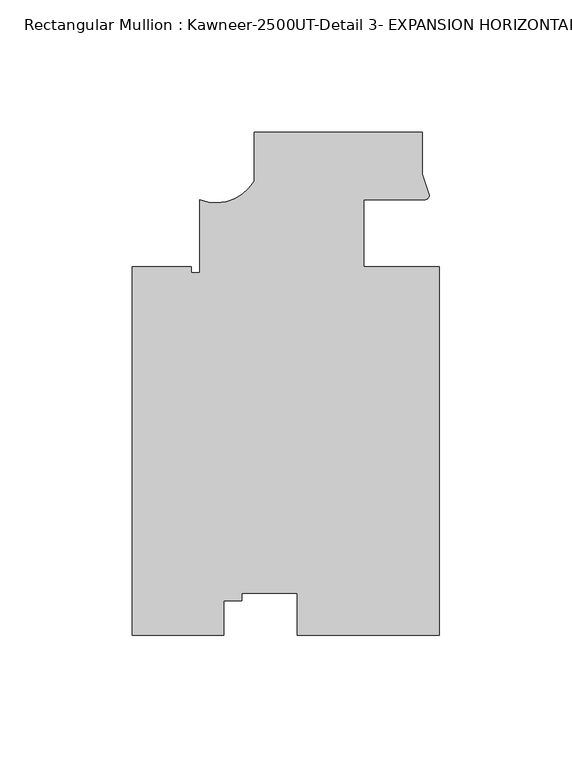
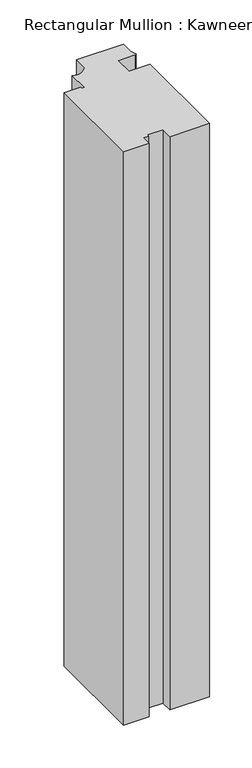
"""IFC4 building model written with IfcOpenShell, lengths in millimetres: member geometry, Rectangular Mullion : Kawneer-2500UT-Detail 3- EXPANSION HORIZONTAL-1 INCH INFILL."""

from ifc_helpers import new_model, si_unit, point, frame, frame_2d, origin, place, context, project, spatial, polyline, circle_curve, trimmed, segment, composite_curve, outline, extrude, source, transform, mapped, element, save


def rectangular_mullion_kawneer_2500ut_detail_3_expansion_135035ae(model_context):
    return source(origin(), model_context, "Body", "SweptSolid", [
        extrude(outline(composite_curve([segment(polyline([(26.807523, -25.4123588), (26.807523, -164.6039062), (-26.807523, -164.6039063), (-26.807523, -148.7055018), (-47.7541759, -148.7055018), (-47.7541759, -151.560107), (-54.6121757, -151.560107), (-54.6121757, -164.6039062), (-89.1032866, -164.6039062), (-89.1032866, -25.4123588), (-66.8783331, -25.4119062), (-66.8782866, -27.6979062), (-63.7033859, -27.6979062), (-63.7033859, -0.0119118)]), True, "CONTINUOUS"), segment(trimmed(circle_curve(frame_2d((-57.4484596, 15.5211737)), 16.7451739), [point((-63.7033859, -0.0119118))], [point((-43.042477, 6.9848679))], True, "CARTESIAN"), True, "CONTINUOUS"), segment(polyline([(-43.042477, 6.9848679), (-43.042477, 25.3880937), (20.457523, 25.3880937), (20.457523, 9.5131914), (23.1083782, 1.576523)]), True, "CONTINUOUS"), segment(trimmed(circle_curve(frame_2d((21.4087603, 1.6895058)), 1.703369), [point((23.1083782, 1.576523))], [point((21.4916518, -0.0118452))], False, "CARTESIAN"), True, "CONTINUOUS"), segment(trimmed(circle_curve(frame_2d((16.1567712, -461.0197259)), 461.0387479), [point((21.4916518, -0.0118452))], [point((-1.767477, -0.329539))], True, "CARTESIAN"), True, "CONTINUOUS"), segment(polyline([(-1.767477, -0.329539), (-1.767477, -25.411777), (26.807523, -25.4123588)]), True, "CONTINUOUS")], self_intersect=False)), frame((0.0, 0.0, -819.15), z_axis=(0.0, 0.0, 1.0), x_axis=(1.0, 0.0, 0.0)), (0.0, 0.0, 1.0), 819.15),
    ])


if __name__ == "__main__":
    model = new_model("IFC4")
    model_context = context("Model", 3, world=origin())
    ifc_project = project(units=[si_unit("LENGTHUNIT", "METRE", prefix="MILLI")], contexts=[model_context])
    site = spatial("IfcSite", under=ifc_project)
    building = spatial("IfcBuilding", under=site)
    placement = place(None, origin())
    rectangular_mullion_kawneer_2500ut_detail_3_expansion_shape = rectangular_mullion_kawneer_2500ut_detail_3_expansion_135035ae(model_context)
    element("IfcMember", 1, ObjectType="Rectangular Mullion : Kawneer-2500UT-Detail 3- EXPANSION HORIZONTAL-1 INCH INFILL", at=placement, inside=building, context=model_context, shape_type="MappedRepresentation", body=[
        mapped(rectangular_mullion_kawneer_2500ut_detail_3_expansion_shape, transform((0.0, 0.0, 0.0), x_axis=(1.0, 0.0, 0.0), y_axis=(0.0, 1.0, 0.0), z_axis=(0.0, 0.0, 1.0))),
    ])
    save(model, "model.ifc")
